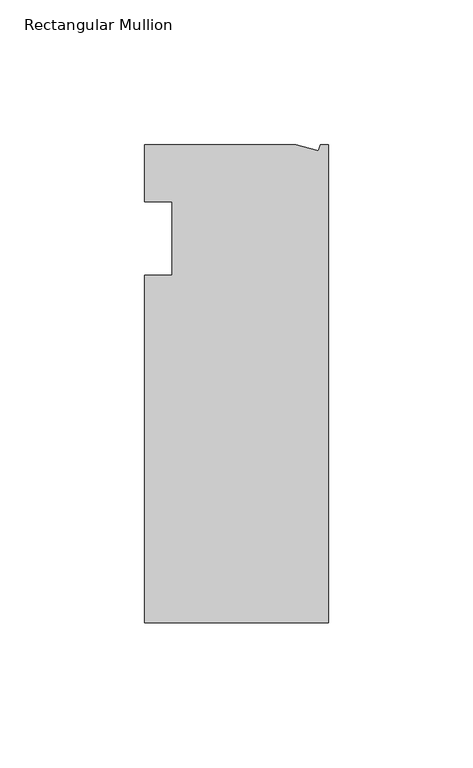
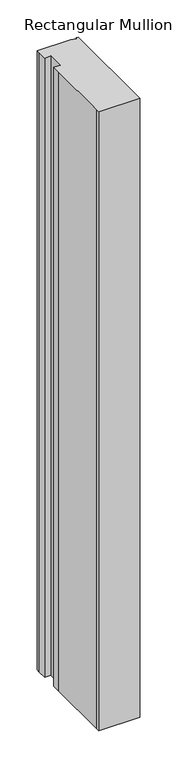
"""IFC4 building model written with IfcOpenShell, lengths in millimetres: member geometry, Rectangular Mullion."""

from ifc_helpers import new_model, si_unit, frame, origin, place, context, project, spatial, polyline, outline, extrude, source, transform, mapped, element, save


def rectangular_mullion_6a8a7b24(model_context):
    return source(origin(), model_context, "Body", "SweptSolid", [
        extrude(outline(polyline([(-11.1265412, 19.6597595), (-3.3457217, 17.5748952), (-2.787084, 19.6597595), (0.0, 19.6597595), (0.0, -145.4402405), (-63.5, -145.4402405), (-63.5, -139.0912246), (-63.5, -38.3358837), (-63.5, -25.4), (-53.975, -25.4), (-53.975, 0.0), (-63.5, 0.0), (-63.5, 13.6093403), (-63.5, 19.6597595), (-11.1265412, 19.6597595)])), frame((0.0, 0.0, -1016.0), z_axis=(0.0, 0.0, 1.0), x_axis=(1.0, 0.0, 0.0)), (0.0, 0.0, 1.0), 1016.0),
    ])


if __name__ == "__main__":
    model = new_model("IFC4")
    model_context = context("Model", 3, world=origin())
    ifc_project = project(units=[si_unit("LENGTHUNIT", "METRE", prefix="MILLI")], contexts=[model_context])
    site = spatial("IfcSite", under=ifc_project)
    building = spatial("IfcBuilding", under=site)
    placement = place(None, origin())
    rectangular_mullion_shape = rectangular_mullion_6a8a7b24(model_context)
    element("IfcMember", 1, ObjectType="Rectangular Mullion", at=placement, inside=building, context=model_context, shape_type="MappedRepresentation", body=[
        mapped(rectangular_mullion_shape, transform((0.0, 0.0, 0.0), x_axis=(1.0, 0.0, 0.0), y_axis=(0.0, 1.0, 0.0), z_axis=(0.0, 0.0, 1.0))),
    ])
    save(model, "model.ifc")
